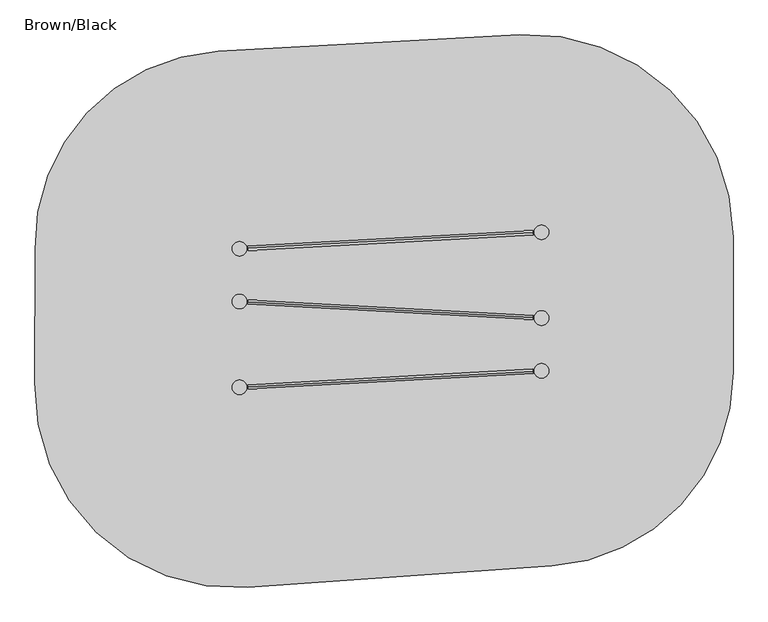
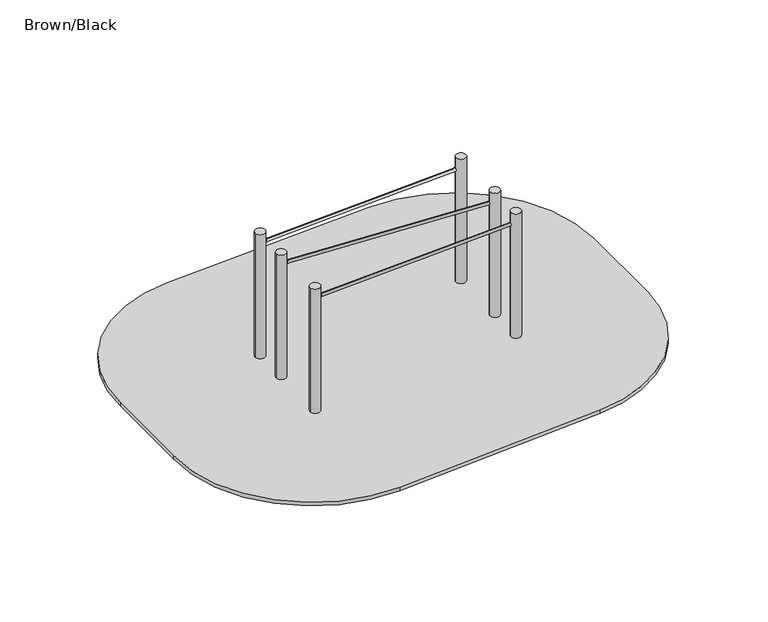
"""IFC4 building model written with IfcOpenShell, lengths in millimetres: furniture geometry, Brown/Black."""

import ifcopenshell
import ifcopenshell.guid

model = None  # the IFC model being written
_history = None  # IfcOwnerHistory: only IFC2X3 demands one
_inside = {}  # id of a spatial element -> (the spatial element, [elements in it])
_under = {}  # id of a project, library or spatial element -> (it, [spatial elements below it])
_declared = {}  # id of a project -> (the project, [libraries it declares])
_typed = {}  # id of a type object -> (the type object, [elements of that type])
_made_of = {}  # id of a material, layer set ... -> (it, [elements and type objects made of it])


def new_model(schema):
    """Start an empty IFC model of exactly this schema.

    Asked for "IFC4X3", IfcOpenShell would pick the latest addendum, in which some entities
    have other attributes; the version numbers below select the first issue.
    IFC2X3 requires an IfcOwnerHistory on every rooted entity: one is made here for all.
    """
    global model, _history
    if schema == "IFC4X3":
        model = ifcopenshell.file(schema_version=(4, 3, 0, 0))
    else:
        model = ifcopenshell.file(schema=schema)
    _inside.clear()
    _under.clear()
    _declared.clear()
    _typed.clear()
    _made_of.clear()
    _history = None
    if model.schema == "IFC2X3":
        org = make("IfcOrganization", Name="unknown")
        user = make(
            "IfcPersonAndOrganization",
            ThePerson=make("IfcPerson", FamilyName="unknown"),
            TheOrganization=org,
        )
        app = make(
            "IfcApplication",
            ApplicationDeveloper=org,
            Version="unknown",
            ApplicationFullName="unknown",
            ApplicationIdentifier="unknown",
        )
        _history = make(
            "IfcOwnerHistory",
            OwningUser=user,
            OwningApplication=app,
            ChangeAction="ADDED",
            CreationDate=0,
        )
    return model


def make(cls, **values):
    """One entity of the class cls with the attributes given. An attribute that is None is left unset."""
    return model.create_entity(
        cls, **{name: value for name, value in values.items() if value is not None}
    )


def rooted(cls, **values):
    """An entity with a GlobalId (a new one), such as an element, a storey or a relation."""
    return make(cls, GlobalId=ifcopenshell.guid.new(), OwnerHistory=_history, **values)


def si_unit(unit_type, name, prefix=None):
    """IfcSIUnit, for example si_unit("LENGTHUNIT", "METRE", prefix="MILLI")."""
    return make("IfcSIUnit", UnitType=unit_type, Prefix=prefix, Name=name)


def assignment(units):
    """IfcUnitAssignment: the units of a project."""
    return None if units is None else make("IfcUnitAssignment", Units=units)


def point(xyz):
    """IfcCartesianPoint."""
    return None if xyz is None else make("IfcCartesianPoint", Coordinates=xyz)


def direction(xyz):
    """IfcDirection."""
    return None if xyz is None else make("IfcDirection", DirectionRatios=xyz)


def frame(location, z_axis=None, x_axis=None):
    """IfcAxis2Placement3D, a coordinate frame: its origin and axes. An axis left out is left unset."""
    return make(
        "IfcAxis2Placement3D",
        Location=point(location),
        Axis=direction(z_axis),
        RefDirection=direction(x_axis),
    )


def frame_2d(location, x_axis=None):
    """IfcAxis2Placement2D, a coordinate frame in the plane: its origin and x axis."""
    return make(
        "IfcAxis2Placement2D", Location=point(location), RefDirection=direction(x_axis)
    )


def origin():
    """The frame at (0, 0, 0) with its axes left unset."""
    return frame((0.0, 0.0, 0.0))


def place(relative_to, where):
    """IfcLocalPlacement: puts the frame where relative to a parent placement (None: the world)."""
    return make(
        "IfcLocalPlacement", PlacementRelTo=relative_to, RelativePlacement=where
    )


def context(
    kind, dimensions, precision=None, world=None, true_north=None, identifier=None
):
    """IfcGeometricRepresentationContext, for example the 3D "Model" context."""
    return make(
        "IfcGeometricRepresentationContext",
        ContextIdentifier=identifier,
        ContextType=kind,
        CoordinateSpaceDimension=dimensions,
        Precision=precision,
        WorldCoordinateSystem=world,
        TrueNorth=true_north,
    )


def project(units=None, contexts=None):
    """IfcProject with its units and contexts."""
    return rooted(
        "IfcProject",
        Name="project",
        RepresentationContexts=contexts,
        UnitsInContext=assignment(units),
    )


def spatial(cls, under=None, at=None, **own):
    """A site, building, storey or space (cls), placed at a placement, below another one or the project."""
    s = rooted(cls, ObjectPlacement=at, **own)
    if under is not None:
        _under.setdefault(under.id(), (under, []))[1].append(s)
    return s


def polyline(points):
    """IfcPolyline through the points."""
    return make("IfcPolyline", Points=[point(p) for p in points])


def circle_curve(where, radius):
    """IfcCircle in the frame where."""
    return make("IfcCircle", Position=where, Radius=radius)


def trimmed(basis, trim1, trim2, sense, master):
    """IfcTrimmedCurve: the piece of a basis curve between two trims."""
    return make(
        "IfcTrimmedCurve",
        BasisCurve=basis,
        Trim1=trim1,
        Trim2=trim2,
        SenseAgreement=sense,
        MasterRepresentation=master,
    )


def segment(curve, same_sense, transition):
    """IfcCompositeCurveSegment."""
    return make(
        "IfcCompositeCurveSegment",
        Transition=transition,
        SameSense=same_sense,
        ParentCurve=curve,
    )


def composite_curve(segments, self_intersect=None):
    """IfcCompositeCurve: segments joined end to end."""
    return make("IfcCompositeCurve", Segments=segments, SelfIntersect=self_intersect)


def outline(outer, holes=None, kind="AREA"):
    """IfcArbitraryClosedProfileDef: a profile drawn as a closed curve; with holes, ...WithVoids."""
    if holes is None:
        return make("IfcArbitraryClosedProfileDef", ProfileType=kind, OuterCurve=outer)
    return make(
        "IfcArbitraryProfileDefWithVoids",
        ProfileType=kind,
        OuterCurve=outer,
        InnerCurves=holes,
    )


def extrude(swept, where, along, depth):
    """IfcExtrudedAreaSolid: the profile swept, set in the frame where, extruded along a direction by depth."""
    return make(
        "IfcExtrudedAreaSolid",
        SweptArea=swept,
        Position=where,
        ExtrudedDirection=direction(along),
        Depth=depth,
    )


def shape(context_of_items, identifier, shape_type, items):
    """IfcShapeRepresentation: the items that make up one representation, for example the "Body"."""
    return make(
        "IfcShapeRepresentation",
        ContextOfItems=context_of_items,
        RepresentationIdentifier=identifier,
        RepresentationType=shape_type,
        Items=items,
    )


def source(mapping_origin, context_of_items, identifier, shape_type, items):
    """IfcRepresentationMap: a shape defined once, which mapped items show again and again."""
    return make(
        "IfcRepresentationMap",
        MappingOrigin=mapping_origin,
        MappedRepresentation=shape(context_of_items, identifier, shape_type, items),
    )


def transform(
    local_origin,
    x_axis=None,
    y_axis=None,
    z_axis=None,
    scale=None,
    scale2=None,
    scale3=None,
    uniform=True,
):
    """IfcCartesianTransformationOperator3D, or its non-uniform kind. x_axis, y_axis, z_axis: its Axis1, 2, 3."""
    if uniform:
        return make(
            "IfcCartesianTransformationOperator3D",
            Axis1=direction(x_axis),
            Axis2=direction(y_axis),
            LocalOrigin=point(local_origin),
            Scale=scale,
            Axis3=direction(z_axis),
        )
    return make(
        "IfcCartesianTransformationOperator3DnonUniform",
        Axis1=direction(x_axis),
        Axis2=direction(y_axis),
        LocalOrigin=point(local_origin),
        Scale=scale,
        Axis3=direction(z_axis),
        Scale2=scale2,
        Scale3=scale3,
    )


def mapped(mapping_source, mapping_target):
    """IfcMappedItem: shows the shape of a source again, moved by a transform."""
    return make(
        "IfcMappedItem", MappingSource=mapping_source, MappingTarget=mapping_target
    )


def made_of(thing, what):
    """Note that an element or type object is made of a material, layer set ...; save() writes the relation."""
    if what is not None:
        _made_of.setdefault(what.id(), (what, []))[1].append(thing)
    return thing


def element(
    cls,
    number,
    at=None,
    inside=None,
    cuts=None,
    type_object=None,
    material=None,
    context=None,
    identifier="Body",
    shape_type=None,
    held_by="IfcProductDefinitionShape",
    body=None,
    shapes=None,
    **own,
):
    """One element of the class cls, such as IfcWall. Its Tag is "e" and its number.

    at: its placement. inside: the storey or other place that contains it. cuts: it is an
    opening in that element (IfcRelVoidsElement). A single representation is given by context,
    identifier, shape_type and body (its items); several are given by shapes. held_by: the class
    of the entity that holds the representations. save() writes the other relations.
    """
    e = rooted(cls, Tag="e%d" % number, ObjectPlacement=at, **own)
    if body is not None:
        shapes = [shape(context, identifier, shape_type, body)]
    if shapes is not None:
        e.Representation = make(held_by, Representations=shapes)
    if inside is not None:
        _inside.setdefault(inside.id(), (inside, []))[1].append(e)
    if cuts is not None:
        rooted(
            "IfcRelVoidsElement", RelatingBuildingElement=cuts, RelatedOpeningElement=e
        )
    if type_object is not None:
        _typed.setdefault(type_object.id(), (type_object, []))[1].append(e)
    return made_of(e, material)


def aggregate(whole, parts):
    """IfcRelAggregates: a whole, such as a stair, and the parts it consists of."""
    return rooted("IfcRelAggregates", RelatingObject=whole, RelatedObjects=parts)


def save(model, path):
    """Write the relations noted so far, then the file.

    IfcRelAggregates (storeys below a building ...), IfcRelContainedInSpatialStructure (elements
    in a storey), IfcRelDefinesByType, IfcRelAssociatesMaterial and IfcRelDeclares: one each for
    every whole, place, type object, material and project.
    """
    for whole, parts in _under.values():
        aggregate(whole, parts)
    for where, things in _inside.values():
        rooted(
            "IfcRelContainedInSpatialStructure",
            RelatedElements=things,
            RelatingStructure=where,
        )
    for kind, things in _typed.values():
        rooted("IfcRelDefinesByType", RelatedObjects=things, RelatingType=kind)
    for what, things in _made_of.values():
        rooted("IfcRelAssociatesMaterial", RelatedObjects=things, RelatingMaterial=what)
    for by, libraries in _declared.values():
        rooted("IfcRelDeclares", RelatingContext=by, RelatedDefinitions=libraries)
    model.write(path)


def plane_surface(at):
    """IfcPlane: the flat surface through the origin of the frame at, square to its z axis."""
    return make("IfcPlane", Position=at)


def cylinder_surface(at, radius):
    """IfcCylindricalSurface: all points at the distance radius from the z axis of the frame at."""
    return make("IfcCylindricalSurface", Position=at, Radius=radius)


def extruded_surface(curve, direction_of_extrusion, depth):
    """IfcSurfaceOfLinearExtrusion: the curve pushed along a direction by depth."""
    return make(
        "IfcSurfaceOfLinearExtrusion",
        SweptCurve=make("IfcArbitraryOpenProfileDef", ProfileType="CURVE", Curve=curve),
        ExtrudedDirection=direction(direction_of_extrusion),
        Depth=depth,
    )


def advanced_brep(points, edges, surfaces, faces):
    """IfcAdvancedBrep: a solid bounded by faces that lie on surfaces and meet in shared edges.

    An edge is (start, end): straight between two places in points (the first is 0);
    or (start, end, curve); or (start, end, curve, False) where it runs against its curve.
    A face is (place in surfaces, loops), or (place, loops, False) where it looks against
    its surface's normal. A loop lists edges by number (the first is 1), with a minus sign
    where the edge is run from its end to its start. The first loop is the outer one.
    """
    corners = [point(p) for p in points]
    vertices = [make("IfcVertexPoint", VertexGeometry=c) for c in corners]
    made = []
    for start, end, *more in edges:
        made.append(
            make(
                "IfcEdgeCurve",
                EdgeStart=vertices[start],
                EdgeEnd=vertices[end],
                EdgeGeometry=more[0] if more else make("IfcPolyline", Points=[corners[start], corners[end]]),
                SameSense=more[1] if len(more) > 1 else True,
            )
        )
    hull = []
    for where, loops, *sense in faces:
        bounds = []
        for j, loop in enumerate(loops):
            ring = [make("IfcOrientedEdge", EdgeElement=made[abs(k) - 1], Orientation=k > 0) for k in loop]
            bounds.append(
                make(
                    "IfcFaceOuterBound" if j == 0 else "IfcFaceBound",
                    Bound=make("IfcEdgeLoop", EdgeList=ring),
                    Orientation=True,
                )
            )
        hull.append(make("IfcAdvancedFace", Bounds=bounds, FaceSurface=surfaces[where], SameSense=sense[0] if sense else True))
    return make("IfcAdvancedBrep", Outer=make("IfcClosedShell", CfsFaces=hull))


def brown_black_53f53805(model_context):
    return source(origin(), model_context, "Body", "SolidModel", [
        advanced_brep(
        [(1751.5, 402.4599432, -225.0), (1739.0, 402.4599432, -225.0), (1726.5, 402.4599432, -225.0), (1666.5, 342.4599432, -225.0), (1666.5, 317.4599432, -225.0), (1726.5, 257.4599432, -225.0), (1751.5, 257.4599432, -225.0), (1811.5, 317.4599432, -225.0), (1811.5, 342.4599432, -225.0), (1829.0, 480.0, -460.0), (1739.0, 480.0, -460.0), (1649.0, 480.0, -460.0), (1589.0, 420.0, -460.0), (1589.0, 240.0, -460.0), (1649.0, 180.0, -460.0), (1829.0, 180.0, -460.0), (1889.0, 240.0, -460.0), (1889.0, 420.0, -460.0), (1829.0, 480.0, -600.0), (1889.0, 420.0, -600.0), (1889.0, 240.0, -600.0), (1829.0, 180.0, -600.0), (1649.0, 180.0, -600.0), (1589.0, 240.0, -600.0), (1589.0, 420.0, -600.0), (1649.0, 480.0, -600.0), (1739.0, 480.0, -600.0)],
        [
            (0, 1),
            (1, 2),
            (2, 3, circle_curve(frame((1726.5, 342.4599432, -225.0), z_axis=(0.0, 0.0, 1.0), x_axis=(1.0, 0.0, 0.0)), 60.0)),
            (3, 4),
            (4, 5, circle_curve(frame((1726.5, 317.4599432, -225.0), z_axis=(0.0, 0.0, 1.0), x_axis=(1.0, 0.0, 0.0)), 60.0)),
            (5, 6),
            (6, 7, circle_curve(frame((1751.5, 317.4599432, -225.0), z_axis=(0.0, 0.0, 1.0), x_axis=(1.0, 0.0, 0.0)), 60.0)),
            (7, 8),
            (8, 0, circle_curve(frame((1751.5, 342.4599432, -225.0), z_axis=(0.0, 0.0, 1.0), x_axis=(1.0, 0.0, 0.0)), 60.0)),
            (0, 9),
            (9, 10),
            (10, 1),
            (10, 11),
            (11, 2),
            (11, 12, circle_curve(frame((1649.0, 420.0, -460.0), z_axis=(0.0, 0.0, 1.0), x_axis=(1.0, 0.0, 0.0)), 60.0)),
            (12, 3),
            (12, 13),
            (13, 4),
            (13, 14, circle_curve(frame((1649.0, 240.0, -460.0), z_axis=(0.0, 0.0, 1.0), x_axis=(1.0, 0.0, 0.0)), 60.0)),
            (14, 5),
            (14, 15),
            (15, 6),
            (15, 16, circle_curve(frame((1829.0, 240.0, -460.0), z_axis=(0.0, 0.0, 1.0), x_axis=(1.0, 0.0, 0.0)), 60.0)),
            (16, 7),
            (16, 17),
            (17, 8),
            (17, 9, circle_curve(frame((1829.0, 420.0, -460.0), z_axis=(0.0, 0.0, 1.0), x_axis=(1.0, 0.0, 0.0)), 60.0)),
            (18, 19, circle_curve(frame((1829.0, 420.0, -600.0), z_axis=(0.0, 0.0, -1.0), x_axis=(1.0, 0.0, 0.0)), 60.0)),
            (19, 20),
            (20, 21, circle_curve(frame((1829.0, 240.0, -600.0), z_axis=(0.0, 0.0, -1.0), x_axis=(1.0, 0.0, 0.0)), 60.0)),
            (21, 22),
            (22, 23, circle_curve(frame((1649.0, 240.0, -600.0), z_axis=(0.0, 0.0, -1.0), x_axis=(1.0, 0.0, 0.0)), 60.0)),
            (23, 24),
            (24, 25, circle_curve(frame((1649.0, 420.0, -600.0), z_axis=(0.0, 0.0, -1.0), x_axis=(1.0, 0.0, 0.0)), 60.0)),
            (25, 26),
            (26, 18),
            (26, 10),
            (9, 18),
            (25, 11),
            (23, 13),
            (12, 24),
            (21, 15),
            (14, 22),
            (19, 17),
            (16, 20),
        ],
        [
            plane_surface(frame((1739.0, 338.0154988, -225.0), z_axis=(0.0, 0.0, 1.0), x_axis=(-1.0, 0.0, 0.0))),
            plane_surface(frame((1745.25, 402.4599432, -225.0), z_axis=(0.0, 0.9496406059136844, 0.3133412191204512), x_axis=(1.0, 0.0, 0.0))),
            plane_surface(frame((1732.75, 402.4599432, -225.0), z_axis=(0.0, 0.9496406059136843, 0.3133412191204512), x_axis=(1.0, 0.0, 0.0))),
            extruded_surface(trimmed(circle_curve(frame((1726.5, 342.4599432, -225.0), z_axis=(0.0, 0.0, -1.0), x_axis=(1.0, 0.0, 0.0)), 60.0), [point((1666.5, 342.4599432, -225.0))], [point((1726.5, 402.4599432, -225.0))], True, "CARTESIAN"), (-77.5, 77.5400568, -235.0), 259.3139225119763),
            plane_surface(frame((1666.5, 329.9599432, -225.0), z_axis=(-0.9496887635303409, 0.0, 0.31319523052596476), x_axis=(0.0, 1.0, 0.0))),
            extruded_surface(trimmed(circle_curve(frame((1726.5, 317.4599432, -225.0), z_axis=(0.0, 0.0, -1.0), x_axis=(1.0, 0.0, 0.0)), 60.0), [point((1726.5, 257.4599432, -225.0))], [point((1666.5, 317.4599432, -225.0))], True, "CARTESIAN"), (-77.5, -77.4599432, -235.0), 259.2899782107809),
            plane_surface(frame((1739.0, 257.4599432, -225.0), z_axis=(0.0, -0.9497369035840961, 0.3130492197250991), x_axis=(-1.0, 0.0, 0.0))),
            extruded_surface(trimmed(circle_curve(frame((1751.5, 317.4599432, -225.0), z_axis=(0.0, 0.0, -1.0), x_axis=(1.0, 0.0, 0.0)), 60.0), [point((1811.5, 317.4599432, -225.0))], [point((1751.5, 257.4599432, -225.0))], True, "CARTESIAN"), (77.5, -77.4599432, -235.0), 259.2899782107809),
            plane_surface(frame((1811.5, 329.9599432, -225.0), z_axis=(0.9496887635303416, 0.0, 0.3131952305259627), x_axis=(0.0, -1.0, 0.0))),
            extruded_surface(trimmed(circle_curve(frame((1751.5, 342.4599432, -225.0), z_axis=(0.0, 0.0, -1.0), x_axis=(1.0, 0.0, 0.0)), 60.0), [point((1751.5, 402.4599432, -225.0))], [point((1811.5, 342.4599432, -225.0))], True, "CARTESIAN"), (77.5, 77.5400568, -235.0), 259.3139225119763),
            plane_surface(frame((1739.0, 480.0, -600.0), z_axis=(0.0, 0.0, -1.0), x_axis=(1.0, 0.0, 0.0))),
            plane_surface(frame((1829.0, 480.0, -460.0), z_axis=(0.0, 1.0, 0.0), x_axis=(0.0, 0.0, -1.0))),
            plane_surface(frame((1739.0, 480.0, -460.0), z_axis=(0.0, 1.0, 0.0), x_axis=(0.0, 0.0, -1.0))),
            plane_surface(frame((1589.0, 420.0, -460.0), z_axis=(-1.0, 0.0, 0.0), x_axis=(0.0, 0.0, -1.0))),
            plane_surface(frame((1649.0, 180.0, -460.0), z_axis=(0.0, -1.0, 0.0), x_axis=(0.0, 0.0, -1.0))),
            plane_surface(frame((1889.0, 240.0, -460.0), z_axis=(1.0, 0.0, 0.0), x_axis=(0.0, 0.0, -1.0))),
            cylinder_surface(frame((1649.0, 420.0, -600.0), z_axis=(0.0, 0.0, 1.0), x_axis=(1.0, 0.0, 0.0)), 60.0),
            cylinder_surface(frame((1649.0, 240.0, -600.0), z_axis=(0.0, 0.0, 1.0), x_axis=(1.0, 0.0, 0.0)), 60.0),
            cylinder_surface(frame((1829.0, 240.0, -600.0), z_axis=(0.0, 0.0, 1.0), x_axis=(1.0, 0.0, 0.0)), 60.0),
            cylinder_surface(frame((1829.0, 420.0, -600.0), z_axis=(0.0, 0.0, 1.0), x_axis=(1.0, 0.0, 0.0)), 60.0),
        ],
        [
            (0, [[1, 2, 3, 4, 5, 6, 7, 8, 9]]),
            (1, [[-1, 10, 11, 12]]),
            (2, [[-2, -12, 13, 14]]),
            (3, [[-3, -14, 15, 16]]),
            (4, [[-4, -16, 17, 18]]),
            (5, [[-5, -18, 19, 20]]),
            (6, [[-6, -20, 21, 22]]),
            (7, [[-7, -22, 23, 24]]),
            (8, [[-8, -24, 25, 26]]),
            (9, [[-9, -26, 27, -10]]),
            (10, [[28, 29, 30, 31, 32, 33, 34, 35, 36]]),
            (11, [[-36, 37, -11, 38]]),
            (12, [[-35, 39, -13, -37]]),
            (13, [[-33, 40, -17, 41]]),
            (14, [[-31, 42, -21, 43]]),
            (15, [[-29, 44, -25, 45]]),
            (16, [[-34, -41, -15, -39]]),
            (17, [[-32, -43, -19, -40]]),
            (18, [[-30, -45, -23, -42]]),
            (19, [[-28, -38, -27, -44]]),
        ],
    ),
        extrude(outline(composite_curve([segment(trimmed(circle_curve(frame_2d((1739.0, 330.0)), 55.0), [point((1684.0, 330.0))], [point((1794.0, 330.0))], False, "CARTESIAN"), True, "CONTINUOUS"), segment(trimmed(circle_curve(frame_2d((1739.0, 330.0)), 55.0), [point((1794.0, 330.0))], [point((1684.0, 330.0))], False, "CARTESIAN"), True, "CONTINUOUS")], self_intersect=False)), frame((0.0, 0.0, -600.0), z_axis=(0.0, 0.0, 1.0), x_axis=(1.0, 0.0, 0.0)), (0.0, 0.0, 1.0), 500.0),
        advanced_brep(
        [(-534.5, 277.4599432, -225.0), (-547.0, 277.4599432, -225.0), (-559.5, 277.4599432, -225.0), (-619.5, 217.4599432, -225.0), (-619.5, 192.4599432, -225.0), (-559.5, 132.4599432, -225.0), (-534.5, 132.4599432, -225.0), (-474.5, 192.4599432, -225.0), (-474.5, 217.4599432, -225.0), (-457.0, 355.0, -460.0), (-547.0, 355.0, -460.0), (-637.0, 355.0, -460.0), (-697.0, 295.0, -460.0), (-697.0, 115.0, -460.0), (-637.0, 55.0, -460.0), (-457.0, 55.0, -460.0), (-397.0, 115.0, -460.0), (-397.0, 295.0, -460.0), (-457.0, 355.0, -600.0), (-397.0, 295.0, -600.0), (-397.0, 115.0, -600.0), (-457.0, 55.0, -600.0), (-637.0, 55.0, -600.0), (-697.0, 115.0, -600.0), (-697.0, 295.0, -600.0), (-637.0, 355.0, -600.0), (-547.0, 355.0, -600.0)],
        [
            (0, 1),
            (1, 2),
            (2, 3, circle_curve(frame((-559.5, 217.4599432, -225.0), z_axis=(0.0, 0.0, 1.0), x_axis=(1.0, 0.0, 0.0)), 60.0)),
            (3, 4),
            (4, 5, circle_curve(frame((-559.5, 192.4599432, -225.0), z_axis=(0.0, 0.0, 1.0), x_axis=(1.0, 0.0, 0.0)), 60.0)),
            (5, 6),
            (6, 7, circle_curve(frame((-534.5, 192.4599432, -225.0), z_axis=(0.0, 0.0, 1.0), x_axis=(1.0, 0.0, 0.0)), 60.0)),
            (7, 8),
            (8, 0, circle_curve(frame((-534.5, 217.4599432, -225.0), z_axis=(0.0, 0.0, 1.0), x_axis=(1.0, 0.0, 0.0)), 60.0)),
            (0, 9),
            (9, 10),
            (10, 1),
            (10, 11),
            (11, 2),
            (11, 12, circle_curve(frame((-637.0, 295.0, -460.0), z_axis=(0.0, 0.0, 1.0), x_axis=(1.0, 0.0, 0.0)), 60.0)),
            (12, 3),
            (12, 13),
            (13, 4),
            (13, 14, circle_curve(frame((-637.0, 115.0, -460.0), z_axis=(0.0, 0.0, 1.0), x_axis=(1.0, 0.0, 0.0)), 60.0)),
            (14, 5),
            (14, 15),
            (15, 6),
            (15, 16, circle_curve(frame((-457.0, 115.0, -460.0), z_axis=(0.0, 0.0, 1.0), x_axis=(1.0, 0.0, 0.0)), 60.0)),
            (16, 7),
            (16, 17),
            (17, 8),
            (17, 9, circle_curve(frame((-457.0, 295.0, -460.0), z_axis=(0.0, 0.0, 1.0), x_axis=(1.0, 0.0, 0.0)), 60.0)),
            (18, 19, circle_curve(frame((-457.0, 295.0, -600.0), z_axis=(0.0, 0.0, -1.0), x_axis=(1.0, 0.0, 0.0)), 60.0)),
            (19, 20),
            (20, 21, circle_curve(frame((-457.0, 115.0, -600.0), z_axis=(0.0, 0.0, -1.0), x_axis=(1.0, 0.0, 0.0)), 60.0)),
            (21, 22),
            (22, 23, circle_curve(frame((-637.0, 115.0, -600.0), z_axis=(0.0, 0.0, -1.0), x_axis=(1.0, 0.0, 0.0)), 60.0)),
            (23, 24),
            (24, 25, circle_curve(frame((-637.0, 295.0, -600.0), z_axis=(0.0, 0.0, -1.0), x_axis=(1.0, 0.0, 0.0)), 60.0)),
            (25, 26),
            (26, 18),
            (26, 10),
            (9, 18),
            (25, 11),
            (23, 13),
            (12, 24),
            (21, 15),
            (14, 22),
            (19, 17),
            (16, 20),
        ],
        [
            plane_surface(frame((-547.0, 213.0154988, -225.0), z_axis=(0.0, 0.0, 1.0), x_axis=(-1.0, 0.0, 0.0))),
            plane_surface(frame((-540.75, 277.4599432, -225.0), z_axis=(0.0, 0.9496406059136844, 0.3133412191204512), x_axis=(1.0, 0.0, 0.0))),
            plane_surface(frame((-553.25, 277.4599432, -225.0), z_axis=(0.0, 0.9496406059136843, 0.3133412191204512), x_axis=(1.0, 0.0, 0.0))),
            extruded_surface(trimmed(circle_curve(frame((-559.5, 217.4599432, -225.0), z_axis=(0.0, 0.0, -1.0), x_axis=(1.0, 0.0, 0.0)), 60.0), [point((-619.5, 217.4599432, -225.0))], [point((-559.5, 277.4599432, -225.0))], True, "CARTESIAN"), (-77.5, 77.5400568, -235.0), 259.3139225119763),
            plane_surface(frame((-619.5, 204.9599432, -225.0), z_axis=(-0.9496887635303409, 0.0, 0.31319523052596476), x_axis=(0.0, 1.0, 0.0))),
            extruded_surface(trimmed(circle_curve(frame((-559.5, 192.4599432, -225.0), z_axis=(0.0, 0.0, -1.0), x_axis=(1.0, 0.0, 0.0)), 60.0), [point((-559.5, 132.4599432, -225.0))], [point((-619.5, 192.4599432, -225.0))], True, "CARTESIAN"), (-77.5, -77.4599432, -235.0), 259.2899782107809),
            plane_surface(frame((-547.0, 132.4599432, -225.0), z_axis=(0.0, -0.9497369035840961, 0.3130492197250991), x_axis=(-1.0, 0.0, 0.0))),
            extruded_surface(trimmed(circle_curve(frame((-534.5, 192.4599432, -225.0), z_axis=(0.0, 0.0, -1.0), x_axis=(1.0, 0.0, 0.0)), 60.0), [point((-474.5, 192.4599432, -225.0))], [point((-534.5, 132.4599432, -225.0))], True, "CARTESIAN"), (77.5, -77.4599432, -235.0), 259.2899782107809),
            plane_surface(frame((-474.5, 204.9599432, -225.0), z_axis=(0.9496887635303416, 0.0, 0.3131952305259627), x_axis=(0.0, -1.0, 0.0))),
            extruded_surface(trimmed(circle_curve(frame((-534.5, 217.4599432, -225.0), z_axis=(0.0, 0.0, -1.0), x_axis=(1.0, 0.0, 0.0)), 60.0), [point((-534.5, 277.4599432, -225.0))], [point((-474.5, 217.4599432, -225.0))], True, "CARTESIAN"), (77.5, 77.5400568, -235.0), 259.3139225119763),
            plane_surface(frame((-547.0, 355.0, -600.0), z_axis=(0.0, 0.0, -1.0), x_axis=(1.0, 0.0, 0.0))),
            plane_surface(frame((-457.0, 355.0, -460.0), z_axis=(0.0, 1.0, 0.0), x_axis=(0.0, 0.0, -1.0))),
            plane_surface(frame((-547.0, 355.0, -460.0), z_axis=(0.0, 1.0, 0.0), x_axis=(0.0, 0.0, -1.0))),
            plane_surface(frame((-697.0, 295.0, -460.0), z_axis=(-1.0, 0.0, 0.0), x_axis=(0.0, 0.0, -1.0))),
            plane_surface(frame((-637.0, 55.0, -460.0), z_axis=(0.0, -1.0, 0.0), x_axis=(0.0, 0.0, -1.0))),
            plane_surface(frame((-397.0, 115.0, -460.0), z_axis=(1.0, 0.0, 0.0), x_axis=(0.0, 0.0, -1.0))),
            cylinder_surface(frame((-637.0, 295.0, -600.0), z_axis=(0.0, 0.0, 1.0), x_axis=(1.0, 0.0, 0.0)), 60.0),
            cylinder_surface(frame((-637.0, 115.0, -600.0), z_axis=(0.0, 0.0, 1.0), x_axis=(1.0, 0.0, 0.0)), 60.0),
            cylinder_surface(frame((-457.0, 115.0, -600.0), z_axis=(0.0, 0.0, 1.0), x_axis=(1.0, 0.0, 0.0)), 60.0),
            cylinder_surface(frame((-457.0, 295.0, -600.0), z_axis=(0.0, 0.0, 1.0), x_axis=(1.0, 0.0, 0.0)), 60.0),
        ],
        [
            (0, [[1, 2, 3, 4, 5, 6, 7, 8, 9]]),
            (1, [[-1, 10, 11, 12]]),
            (2, [[-2, -12, 13, 14]]),
            (3, [[-3, -14, 15, 16]]),
            (4, [[-4, -16, 17, 18]]),
            (5, [[-5, -18, 19, 20]]),
            (6, [[-6, -20, 21, 22]]),
            (7, [[-7, -22, 23, 24]]),
            (8, [[-8, -24, 25, 26]]),
            (9, [[-9, -26, 27, -10]]),
            (10, [[28, 29, 30, 31, 32, 33, 34, 35, 36]]),
            (11, [[-36, 37, -11, 38]]),
            (12, [[-35, 39, -13, -37]]),
            (13, [[-33, 40, -17, 41]]),
            (14, [[-31, 42, -21, 43]]),
            (15, [[-29, 44, -25, 45]]),
            (16, [[-34, -41, -15, -39]]),
            (17, [[-32, -43, -19, -40]]),
            (18, [[-30, -45, -23, -42]]),
            (19, [[-28, -38, -27, -44]]),
        ],
    ),
        extrude(outline(composite_curve([segment(trimmed(circle_curve(frame_2d((-547.0, 205.0)), 55.0), [point((-602.0, 205.0))], [point((-492.0, 205.0))], False, "CARTESIAN"), True, "CONTINUOUS"), segment(trimmed(circle_curve(frame_2d((-547.0, 205.0)), 55.0), [point((-492.0, 205.0))], [point((-602.0, 205.0))], False, "CARTESIAN"), True, "CONTINUOUS")], self_intersect=False)), frame((0.0, 0.0, -600.0), z_axis=(0.0, 0.0, 1.0), x_axis=(1.0, 0.0, 0.0)), (0.0, 0.0, 1.0), 500.0),
        extrude(outline(composite_curve([segment(trimmed(circle_curve(frame_2d((-275.0, -546.9999892)), 16.0), [point((-275.0, -562.9999892))], [point((-275.0, -530.9999892))], False, "CARTESIAN"), True, "CONTINUOUS"), segment(trimmed(circle_curve(frame_2d((-275.0, -546.9999892)), 16.0), [point((-275.0, -530.9999892))], [point((-275.0, -562.9999892))], False, "CARTESIAN"), True, "CONTINUOUS")], self_intersect=False)), frame((0.0, 919.7000031, 0.0), z_axis=(0.0, 1.0, 0.0), x_axis=(0.0, 0.0, 1.0)), (0.0, 0.0, 1.0), 270.5999969),
        extrude(outline(composite_curve([segment(trimmed(circle_curve(frame_2d((-275.0, 1739.0)), 16.0), [point((-275.0, 1723.0))], [point((-275.0, 1755.0))], False, "CARTESIAN"), True, "CONTINUOUS"), segment(trimmed(circle_curve(frame_2d((-275.0, 1739.0)), 16.0), [point((-275.0, 1755.0))], [point((-275.0, 1723.0))], False, "CARTESIAN"), True, "CONTINUOUS")], self_intersect=False)), frame((0.0, 794.7000036, 0.0), z_axis=(0.0, 1.0, 0.0), x_axis=(0.0, 0.0, 1.0)), (0.0, 0.0, 1.0), 520.5999964),
        extrude(outline(composite_curve([segment(trimmed(circle_curve(frame_2d((0.0, -16.0)), 16.0), [point((0.0, -32.0))], [point((0.0, 0.0))], False, "CARTESIAN"), True, "CONTINUOUS"), segment(trimmed(circle_curve(frame_2d((0.0, -16.0)), 16.0), [point((0.0, 0.0))], [point((0.0, -32.0))], False, "CARTESIAN"), True, "CONTINUOUS")], self_intersect=False)), frame((-482.3528176, 1258.5349491, 1304.0), z_axis=(0.9985083565924193, 0.054599100863531265, 0.0), x_axis=(0.054599100863531265, -0.9985083565924193, 0.0)), (0.0, 0.0, 1.0), 2159.9332064),
        extrude(outline(composite_curve([segment(trimmed(circle_curve(frame_2d((-275.0, -547.0)), 16.0), [point((-275.0, -563.0))], [point((-275.0, -531.0))], False, "CARTESIAN"), True, "CONTINUOUS"), segment(trimmed(circle_curve(frame_2d((-275.0, -547.0)), 16.0), [point((-275.0, -531.0))], [point((-275.0, -563.0))], False, "CARTESIAN"), True, "CONTINUOUS")], self_intersect=False)), frame((0.0, 269.751827, 0.0), z_axis=(0.0, 1.0, 0.0), x_axis=(0.0, 0.0, 1.0)), (0.0, 0.0, 1.0), 520.560673),
        extrude(outline(composite_curve([segment(trimmed(circle_curve(frame_2d((-275.0, 1739.0)), 16.0), [point((-275.0, 1723.0))], [point((-275.0, 1755.0))], False, "CARTESIAN"), True, "CONTINUOUS"), segment(trimmed(circle_curve(frame_2d((-275.0, 1739.0)), 16.0), [point((-275.0, 1755.0))], [point((-275.0, 1723.0))], False, "CARTESIAN"), True, "CONTINUOUS")], self_intersect=False)), frame((0.0, 394.7460937, 0.0), z_axis=(0.0, 1.0, 0.0), x_axis=(0.0, 0.0, 1.0)), (0.0, 0.0, 1.0), 270.5664062),
        extrude(outline(composite_curve([segment(trimmed(circle_curve(frame_2d((0.0, -16.0)), 16.0), [point((0.0, -32.0))], [point((0.0, 0.0))], False, "CARTESIAN"), True, "CONTINUOUS"), segment(trimmed(circle_curve(frame_2d((0.0, -16.0)), 16.0), [point((0.0, 0.0))], [point((0.0, -32.0))], False, "CARTESIAN"), True, "CONTINUOUS")], self_intersect=False)), frame((-482.4109968, 208.5317715, 1304.0), z_axis=(0.998508356592419, 0.05459910086353598, 0.0), x_axis=(0.05459910086353598, -0.998508356592419, 0.0)), (0.0, 0.0, 1.0), 2160.045924),
        extrude(outline(composite_curve([segment(trimmed(circle_curve(frame_2d((0.0, -16.0)), 16.0), [point((0.0, -32.0))], [point((0.0, 0.0))], False, "CARTESIAN"), True, "CONTINUOUS"), segment(trimmed(circle_curve(frame_2d((0.0, -16.0)), 16.0), [point((0.0, 0.0))], [point((0.0, -32.0))], False, "CARTESIAN"), True, "CONTINUOUS")], self_intersect=False)), frame((1674.3310407, 733.5361435, 1304.0), z_axis=(-0.9985083565924185, 0.05459910086354397, 0.0), x_axis=(0.05459910086354397, 0.9985083565924185, 0.0)), (0.0, 0.0, 1.0), 2159.9298263),
        extrude(outline(composite_curve([segment(polyline([(1818.5324175, -1148.6548287), (-484.752407, -1308.2053517)]), True, "CONTINUOUS"), segment(trimmed(circle_curve(frame_2d((-588.9464533, 195.9486998)), 1507.7585383), [point((-484.752407, -1308.2053517))], [point((-2096.1607011, 236.45822))], False, "CARTESIAN"), True, "CONTINUOUS"), segment(trimmed(circle_curve(frame_2d((-22198.3789606, 776.7471781)), 20109.4776439), [point((-2096.1607011, 236.45822))], [point((-2094.5198404, 1252.0782076))], True, "CARTESIAN"), True, "CONTINUOUS"), segment(trimmed(circle_curve(frame_2d((-628.8986138, 1286.7310194)), 1466.0308309), [point((-2094.5198404, 1252.0782076))], [point((-709.006884, 2750.5715375))], False, "CARTESIAN"), True, "CONTINUOUS"), segment(polyline([(-709.006884, 2750.5715375), (1573.339861, 2875.4723361)]), True, "CONTINUOUS"), segment(trimmed(circle_curve(frame_2d((1657.1013487, 1344.8755661)), 1532.8869688), [point((1573.339861, 2875.4723361))], [point((3189.9883175, 1344.8755661))], False, "CARTESIAN"), True, "CONTINUOUS"), segment(polyline([(3189.9883175, 1344.8755661), (3189.9883175, 321.0894974)]), True, "CONTINUOUS"), segment(trimmed(circle_curve(frame_2d((1716.7219625, 321.0894974)), 1473.266355), [point((3189.9883175, 321.0894974))], [point((1818.5324175, -1148.6548287))], False, "CARTESIAN"), True, "CONTINUOUS")], self_intersect=False)), frame((0.0, 0.0, -40.0), z_axis=(0.0, 0.0, 1.0), x_axis=(1.0, 0.0, 0.0)), (0.0, 0.0, 1.0), 41.0),
        extrude(outline(composite_curve([segment(trimmed(circle_curve(frame_2d((-547.0, 205.0)), 55.0), [point((-602.0, 205.0))], [point((-492.0, 205.0))], False, "CARTESIAN"), True, "CONTINUOUS"), segment(trimmed(circle_curve(frame_2d((-547.0, 205.0)), 55.0), [point((-492.0, 205.0))], [point((-602.0, 205.0))], False, "CARTESIAN"), True, "CONTINUOUS")], self_intersect=False)), frame((0.0, 0.0, -100.0), z_axis=(0.0, 0.0, 1.0), x_axis=(1.0, 0.0, 0.0)), (0.0, 0.0, 1.0), 1550.0),
        extrude(outline(composite_curve([segment(trimmed(circle_curve(frame_2d((-547.0, 855.0)), 55.0), [point((-602.0, 855.0))], [point((-492.0, 855.0))], False, "CARTESIAN"), True, "CONTINUOUS"), segment(trimmed(circle_curve(frame_2d((-547.0, 855.0)), 55.0), [point((-492.0, 855.0))], [point((-602.0, 855.0))], False, "CARTESIAN"), True, "CONTINUOUS")], self_intersect=False)), frame((0.0, 0.0, -100.0), z_axis=(0.0, 0.0, 1.0), x_axis=(1.0, 0.0, 0.0)), (0.0, 0.0, 1.0), 1550.0),
        extrude(outline(composite_curve([segment(trimmed(circle_curve(frame_2d((1739.0, 330.0)), 55.0), [point((1684.0, 330.0))], [point((1794.0, 330.0))], False, "CARTESIAN"), True, "CONTINUOUS"), segment(trimmed(circle_curve(frame_2d((1739.0, 330.0)), 55.0), [point((1794.0, 330.0))], [point((1684.0, 330.0))], False, "CARTESIAN"), True, "CONTINUOUS")], self_intersect=False)), frame((0.0, 0.0, -100.0), z_axis=(0.0, 0.0, 1.0), x_axis=(1.0, 0.0, 0.0)), (0.0, 0.0, 1.0), 1550.0),
        extrude(outline(composite_curve([segment(trimmed(circle_curve(frame_2d((1739.0, 730.0)), 55.0), [point((1684.0, 730.0))], [point((1794.0, 730.0))], False, "CARTESIAN"), True, "CONTINUOUS"), segment(trimmed(circle_curve(frame_2d((1739.0, 730.0)), 55.0), [point((1794.0, 730.0))], [point((1684.0, 730.0))], False, "CARTESIAN"), True, "CONTINUOUS")], self_intersect=False)), frame((0.0, 0.0, -100.0), z_axis=(0.0, 0.0, 1.0), x_axis=(1.0, 0.0, 0.0)), (0.0, 0.0, 1.0), 1550.0),
        extrude(outline(composite_curve([segment(trimmed(circle_curve(frame_2d((-547.0, 1255.0)), 55.0), [point((-602.0, 1255.0))], [point((-492.0, 1255.0))], False, "CARTESIAN"), True, "CONTINUOUS"), segment(trimmed(circle_curve(frame_2d((-547.0, 1255.0)), 55.0), [point((-492.0, 1255.0))], [point((-602.0, 1255.0))], False, "CARTESIAN"), True, "CONTINUOUS")], self_intersect=False)), frame((0.0, 0.0, -100.0), z_axis=(0.0, 0.0, 1.0), x_axis=(1.0, 0.0, 0.0)), (0.0, 0.0, 1.0), 1550.0),
        extrude(outline(composite_curve([segment(trimmed(circle_curve(frame_2d((1739.0, 1380.0)), 55.0), [point((1684.0, 1380.0))], [point((1794.0, 1380.0))], False, "CARTESIAN"), True, "CONTINUOUS"), segment(trimmed(circle_curve(frame_2d((1739.0, 1380.0)), 55.0), [point((1794.0, 1380.0))], [point((1684.0, 1380.0))], False, "CARTESIAN"), True, "CONTINUOUS")], self_intersect=False)), frame((0.0, 0.0, -100.0), z_axis=(0.0, 0.0, 1.0), x_axis=(1.0, 0.0, 0.0)), (0.0, 0.0, 1.0), 1550.0),
    ])


if __name__ == "__main__":
    model = new_model("IFC4")
    model_context = context("Model", 3, world=origin())
    ifc_project = project(units=[si_unit("LENGTHUNIT", "METRE", prefix="MILLI")], contexts=[model_context])
    site = spatial("IfcSite", under=ifc_project)
    building = spatial("IfcBuilding", under=site)
    placement = place(None, origin())
    brown_black_shape = brown_black_53f53805(model_context)
    element("IfcFurniture", 1, ObjectType="Brown/Black", at=placement, inside=building, context=model_context, shape_type="MappedRepresentation", body=[
        mapped(brown_black_shape, transform((0.0, 0.0, 0.0), x_axis=(1.0, 0.0, 0.0), y_axis=(0.0, 1.0, 0.0), z_axis=(0.0, 0.0, 1.0))),
    ])
    save(model, "model.ifc")
